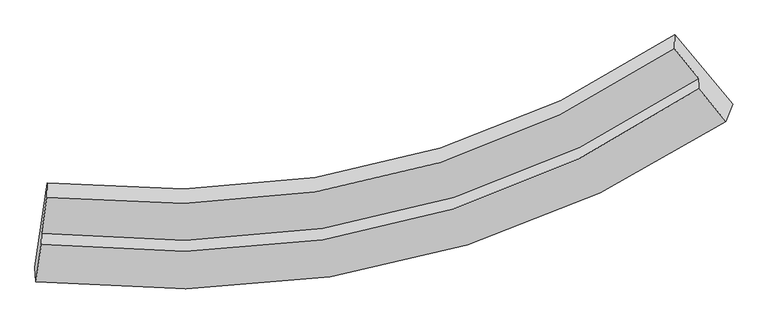
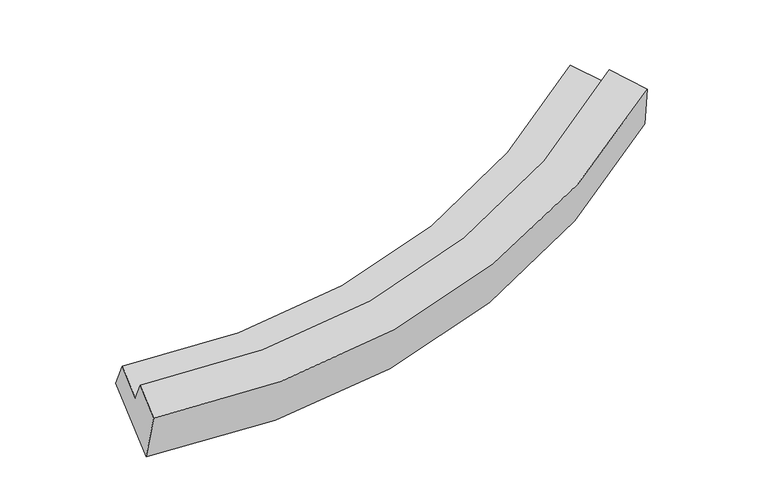
"""IFC4 building model written with IfcOpenShell, lengths in millimetres: proxy geometry."""

from ifc_helpers import new_model, si_unit, frame, origin, place, context, project, spatial, source, transform, mapped, element, save
from ifc_brep_helpers import plane_surface, spline_curve, spline_surface, advanced_brep


def generic_models_fddb7756(model_context):
    return source(origin(), model_context, "Body", "AdvancedBrep", [
        advanced_brep(
        [(-5573.8258861, -3353.069476, 1587.8321548), (-5589.8881001, -3134.1276423, 702.5210101), (5109.3956296, -623.8425308, 1969.7817162), (5006.5761305, -891.2129113, 2838.5102271), (-5403.4120425, -1838.2093803, 1292.8350344), (4222.3549459, 435.8056986, 2457.6481861), (-5407.506503, -2057.7294074, 1762.188985), (4218.3689392, 222.1003066, 2914.5699135), (-5487.8366958, -2613.4769331, 1501.5613275), (4592.0336834, -233.6158871, 2728.4991364), (-5490.9353684, -2779.6088818, 1856.76667), (4589.0708296, -392.4660545, 3068.1353627)],
        [
            (0, 1),
            (1, 2, spline_curve(3, [(-5589.8881001, -3134.1276423, 702.5210101), (-3202.92421924, -3394.608826357, 595.9522868), (-968.413642009, -3200.373518461, 704.034723923), (2514.583425519, -2114.765910809, 1243.92389495), (3846.500758056, -1472.239514895, 1558.261692741), (5109.3956296, -623.8425308, 1969.7817162)], [4, 2, 4], [0.0, 21.987314307283714, 36.78176974816343])),
            (2, 3),
            (3, 0, spline_curve(3, [(5006.5761305, -891.2129113, 2838.5102271), (3752.328577229, -1727.760386281, 2453.123517347), (2431.991428095, -2360.591774419, 2155.301888523), (-1014.923499406, -3427.452281697, 1632.5649775), (-3221.387022656, -3615.239748263, 1513.493915825), (-5573.8258861, -3353.069476, 1587.8321548)], [4, 2, 4], [0.0, 14.794455440879712, 36.78176974816343])),
            (1, 4),
            (4, 5, spline_curve(3, [(-5403.4120425, -1838.2093803, 1292.8350344), (-3252.740196175, -2068.488280199, 1207.609889297), (-1241.141011689, -1890.247682391, 1312.074395163), (1891.339765621, -908.678290857, 1804.154067478), (3088.329577468, -328.913862757, 2087.960612815), (4222.3549459, 435.8056986, 2457.6481861)], [4, 2, 4], [0.0, 21.017130147139493, 35.15878433516468])),
            (5, 2),
            (4, 6),
            (6, 7, spline_curve(3, [(-5407.506503, -2057.7294074, 1762.188985), (-3256.881678198, -2290.529313737, 1682.353983624), (-1245.288488336, -2112.610124851, 1787.505691466), (1887.25089196, -1127.898781562, 2272.867580971), (3084.282849858, -545.874731916, 2551.842849917), (4218.3689392, 222.1003066, 2914.5699135)], [4, 2, 4], [0.0, 19.912425579270522, 33.31076467768244])),
            (7, 5),
            (6, 8),
            (8, 9, spline_curve(3, [(-5487.8366958, -2613.4769331, 1501.5613275), (-3233.445360373, -2859.483970962, 1409.403159169), (-1126.038407126, -2674.961990631, 1518.478878651), (2153.480437977, -1646.065789514, 2037.584413022), (3406.030277827, -1037.300754095, 2337.4879629), (4592.0336834, -233.6158871, 2728.4991364)], [4, 2, 4], [0.0, 20.385656010498057, 34.1024144679194])),
            (9, 7),
            (8, 10),
            (10, 11, spline_curve(3, [(-5490.9353684, -2779.6088818, 1856.76667), (-3236.719562974, -3035.026748381, 1784.729717066), (-1129.367034062, -2853.42266355, 1900.044164112), (2150.263360299, -1818.545910759, 2406.362730788), (3402.912897258, -1204.435719604, 2694.837848318), (4589.0708296, -392.4660545, 3068.1353627)], [4, 2, 4], [0.0, 20.85896318910599, 34.894192646027435])),
            (11, 9),
            (10, 0),
            (3, 11),
        ],
        [
            spline_surface(3, 3, [[(-5573.8258861, -3353.069476, 1587.8321548), (-3221.387022519, -3615.239748062, 1513.493915862), (-1014.923499443, -3427.452281566, 1632.564977792), (2431.99142812, -2360.591774507, 2155.301888327), (3752.328577192, -1727.760386096, 2453.123517213), (5006.5761305, -891.2129113, 2838.5102271)], [(-5579.179957429, -3280.088864776, 1292.728439896), (-3215.232754715, -3541.696107591, 1207.646706225), (-999.420213555, -3351.759360613, 1323.05489329), (2459.522093849, -2278.649819881, 1851.509223791), (3783.719304063, -1642.586762302, 2154.836242409), (5040.849296848, -802.08945113, 2548.934056799)], [(-5584.534028771, -3207.108253524, 997.624725004), (-3209.078486924, -3468.152467092, 901.799496601), (-983.916927632, -3276.06643967, 1013.544808781), (2487.052759612, -2196.707865263, 1547.716559247), (3815.11003099, -1557.413138519, 1856.548967607), (5075.122463252, -712.96599097, 2259.357886501)], [(-5589.8881001, -3134.1276423, 702.5210101), (-3202.924219119, -3394.608826621, 595.952286963), (-968.413641744, -3200.373518717, 704.034724279), (2514.583425341, -2114.765910637, 1243.92389471), (3846.500757861, -1472.239514726, 1558.261692803), (5109.3956296, -623.8425308, 1969.7817162)]], [4, 4], [4, 2, 4], [0.0, 3.124500659975059], [0.0, 21.987314307283714, 36.78176974816343]),
            spline_surface(3, 3, [[(-5589.8881001, -3134.1276423, 702.5210101), (-3202.924219119, -3394.608826621, 595.952286963), (-968.413641744, -3200.373518717, 704.034724279), (2514.583425341, -2114.765910637, 1243.92389471), (3846.500757861, -1472.239514726, 1558.261692803), (5109.3956296, -623.8425308, 1969.7817162)], [(-5527.72941421, -2702.154888283, 899.292351537), (-3219.529544831, -2952.568644353, 799.838154456), (-1059.322765055, -2763.664906516, 906.714614485), (2306.83553881, -1712.736704137, 1430.667285706), (3593.777030997, -1091.13096401, 1734.827999488), (4813.715401696, -270.626454337, 2132.403872842)], [(-5465.57072839, -2270.182134317, 1096.063692963), (-3236.134870613, -2510.528462135, 1003.724021937), (-1150.231888447, -2326.956294258, 1109.394504666), (2099.087652198, -1310.707497581, 1617.410676679), (3341.053304147, -710.022413282, 1911.394306148), (4518.035173804, 82.589622137, 2295.026029458)], [(-5403.4120425, -1838.2093803, 1292.8350344), (-3252.740196325, -2068.488279867, 1207.60988943), (-1241.141011757, -1890.247682057, 1312.074394872), (1891.339765667, -908.678291081, 1804.154067675), (3088.329577283, -328.913862566, 2087.960612833), (4222.3549459, 435.8056986, 2457.6481861)]], [4, 4], [4, 2, 4], [0.0, 4.774701791616948], [0.0, 21.017130147139493, 35.15878433516468]),
            spline_surface(3, 3, [[(-5403.4120425, -1838.2093803, 1292.8350344), (-3252.740196325, -2068.488279867, 1207.60988943), (-1241.141011757, -1890.247682057, 1312.074394872), (1891.339765667, -908.678291081, 1804.154067675), (3088.329577283, -328.913862566, 2087.960612833), (4222.3549459, 435.8056986, 2457.6481861)], [(-5404.776862666, -1911.382722675, 1449.286351263), (-3254.120690327, -2142.501957843, 1365.857920876), (-1242.523504054, -1964.368496397, 1470.551493689), (1889.976807808, -981.751787856, 1960.391905487), (3086.980668147, -401.23415241, 2242.58802515), (4221.02627702, 364.570567926, 2609.955428588)], [(-5406.141682834, -1984.556065025, 1605.737668137), (-3255.501184331, -2216.515635793, 1524.105952333), (-1243.905996304, -2038.489310739, 1629.02859248), (1888.613849997, -1054.825284634, 2116.629743273), (3085.631758953, -473.554442234, 2397.215437403), (4219.69760808, 293.335437274, 2762.262671012)], [(-5407.506503, -2057.7294074, 1762.188985), (-3256.881678333, -2290.529313769, 1682.35398378), (-1245.2884886, -2112.610125079, 1787.505691297), (1887.250892138, -1127.898781409, 2272.867581086), (3084.282849817, -545.874732078, 2551.842849719), (4218.3689392, 222.1003066, 2914.5699135)]], [4, 4], [4, 2, 4], [0.0, 1.7132664299601341], [0.0, 19.912425579270522, 33.31076467768244]),
            spline_surface(3, 3, [[(-5407.506503, -2057.7294074, 1762.188985), (-3256.881678333, -2290.529313769, 1682.35398378), (-1245.2884886, -2112.610125079, 1787.505691297), (1887.250892138, -1127.898781409, 2272.867581086), (3084.282849817, -545.874732078, 2551.842849719), (4218.3689392, 222.1003066, 2914.5699135)], [(-5434.283233946, -2242.978582627, 1675.313099143), (-3249.069572416, -2480.180866092, 1591.370375472), (-1205.538461474, -2300.06074699, 1697.830087023), (1975.994074131, -1300.621117389, 2194.439858398), (3191.53199249, -709.683406028, 2480.391220827), (4342.92385392, 70.194908697, 2852.546321129)], [(-5461.059964854, -2428.227757873, 1588.437213357), (-3241.257466461, -2669.832418434, 1500.386767237), (-1165.788434392, -2487.511368927, 1608.154482819), (2064.737256079, -1473.343453395, 2116.012135781), (3298.7811352, -873.492079971, 2408.939591946), (4467.47876868, -81.710489197, 2790.522728771)], [(-5487.8366958, -2613.4769331, 1501.5613275), (-3233.445360544, -2859.483970757, 1409.40315893), (-1126.038407266, -2674.961990838, 1518.478878546), (2153.480438071, -1646.065789375, 2037.584413093), (3406.030277873, -1037.300753921, 2337.487963054), (4592.0336834, -233.6158871, 2728.4991364)]], [4, 4], [4, 2, 4], [0.0, 2.0554787696200703], [0.0, 20.385656010498057, 34.1024144679194]),
            spline_surface(3, 3, [[(-5487.8366958, -2613.4769331, 1501.5613275), (-3233.445360544, -2859.483970757, 1409.40315893), (-1126.038407266, -2674.961990838, 1518.478878546), (2153.480438071, -1646.065789375, 2037.584413093), (3406.030277873, -1037.300753921, 2337.487963054), (4592.0336834, -233.6158871, 2728.4991364)], [(-5488.869586679, -2668.854249329, 1619.963108356), (-3234.536761298, -2917.998230035, 1534.512011719), (-1127.147949427, -2734.448881783, 1645.667307041), (2152.408078748, -1703.559163137, 2160.510519023), (3404.991150943, -1093.012409203, 2456.604591467), (4591.046065483, -286.565942889, 2841.711211825)], [(-5489.902477521, -2724.231565571, 1738.364889144), (-3235.628162015, -2976.512489326, 1659.620864441), (-1128.257491595, -2793.935772736, 1772.855735513), (2151.335719416, -1761.052536907, 2283.436624928), (3403.952023962, -1148.724064519, 2575.721219905), (4590.058447517, -339.515998711, 2954.923287275)], [(-5490.9353684, -2779.6088818, 1856.76667), (-3236.71956277, -3035.026748604, 1784.729717231), (-1129.367033756, -2853.422663682, 1900.044164009), (2150.263360092, -1818.54591067, 2406.362730858), (3402.912897032, -1204.435719801, 2694.837848318), (4589.0708296, -392.4660545, 3068.1353627)]], [4, 4], [4, 2, 4], [0.0, 1.3639166591902498], [0.0, 20.85896318910599, 34.894192646027435]),
            spline_surface(3, 3, [[(-5490.9353684, -2779.6088818, 1856.76667), (-3236.71956277, -3035.026748604, 1784.729717231), (-1129.367033756, -2853.422663682, 1900.044164009), (2150.263360092, -1818.54591067, 2406.362730858), (3402.912897032, -1204.435719801, 2694.837848318), (4589.0708296, -392.4660545, 3068.1353627)], [(-5518.56554097, -2970.76241321, 1767.121831605), (-3231.608716023, -3228.431081766, 1694.317783447), (-1091.219189003, -3044.765869639, 1810.884435266), (2244.172716084, -1999.227865279, 2322.675783344), (3519.384790418, -1378.877275233, 2614.2664046), (4728.239263233, -558.715006768, 2991.593650817)], [(-5546.19571353, -3161.91594459, 1677.476993195), (-3226.497869266, -3421.835414899, 1603.905849646), (-1053.071344197, -3236.109075608, 1721.724706534), (2338.082072128, -2179.909819899, 2238.988835841), (3635.856683806, -1553.318830663, 2533.694960932), (4867.407696867, -724.963959032, 2915.051938983)], [(-5573.8258861, -3353.069476, 1587.8321548), (-3221.387022519, -3615.239748062, 1513.493915862), (-1014.923499443, -3427.452281566, 1632.564977792), (2431.99142812, -2360.591774507, 2155.301888327), (3752.328577192, -1727.760386096, 2453.123517213), (5006.5761305, -891.2129113, 2838.5102271)]], [4, 4], [4, 2, 4], [0.0, 2.109117874382714], [0.0, 21.356031542019092, 35.72572001905871]),
            plane_surface(frame((4622.966693, -247.2052298, 2662.8574237), z_axis=(0.7959739777296959, 0.545627511590138, 0.26213745511299896), x_axis=(-0.007901788471795242, -0.4236457575549026, 0.9057934829996735))),
            plane_surface(frame((-5492.2340993, -2629.3702868, 1450.6175303), z_axis=(-0.991513735370098, 0.12086391420092445, 0.047879294235264505), x_axis=(0.12976160569052186, 0.8977283477476776, 0.4210056286308324))),
        ],
        [
            (0, [[1, 2, 3, 4]]),
            (1, [[5, 6, 7, -2]]),
            (2, [[8, 9, 10, -6]]),
            (3, [[11, 12, 13, -9]]),
            (4, [[14, 15, 16, -12]]),
            (5, [[17, -4, 18, -15]]),
            (6, [[-16, -18, -3, -7, -10, -13]]),
            (7, [[-17, -14, -11, -8, -5, -1]]),
        ],
    ),
    ])


if __name__ == "__main__":
    model = new_model("IFC4")
    model_context = context("Model", 3, world=origin())
    ifc_project = project(units=[si_unit("LENGTHUNIT", "METRE", prefix="MILLI")], contexts=[model_context])
    site = spatial("IfcSite", under=ifc_project)
    building = spatial("IfcBuilding", under=site)
    placement = place(None, origin())
    generic_models_shape = generic_models_fddb7756(model_context)
    element("IfcBuildingElementProxy", 1, Name="Generic Models", at=placement, inside=building, context=model_context, shape_type="MappedRepresentation", body=[
        mapped(generic_models_shape, transform((0.0, 0.0, 0.0), x_axis=(1.0, 0.0, 0.0), y_axis=(0.0, 1.0, 0.0), z_axis=(0.0, 0.0, 1.0))),
    ])
    save(model, "model.ifc")
